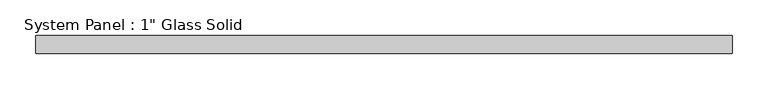
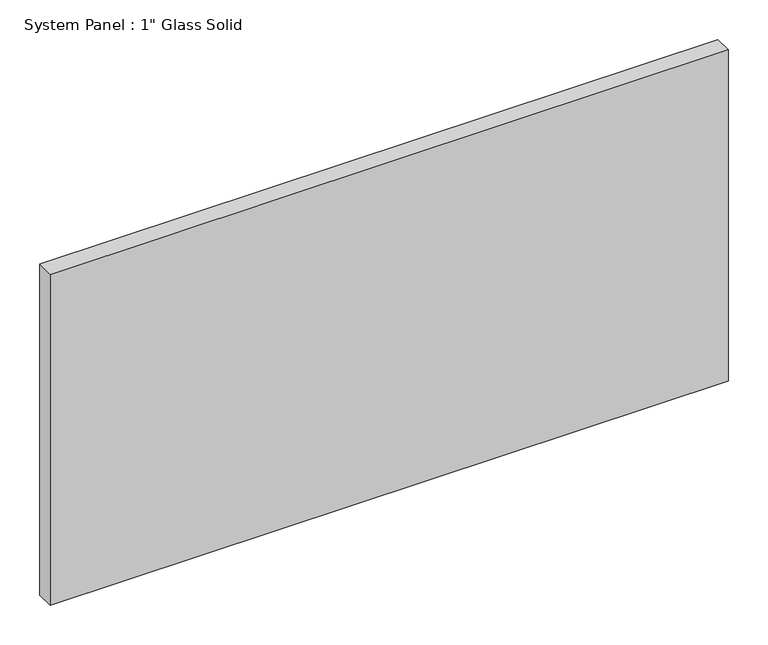
"""IFC4 building model written with IfcOpenShell, lengths in millimetres: plate geometry."""

from ifc_helpers import new_model, si_unit, origin, origin_with_axes, place, context, project, spatial, polyline, outline, extrude, source, transform, mapped, element, save


def plate_9f8805ce(model_context):
    return source(origin(), model_context, "Body", "SweptSolid", [
        extrude(outline(polyline([(490.5375, -12.7), (-490.5375, -12.7), (-490.5375, 12.7), (490.5375, 12.7), (490.5375, -12.7)])), origin_with_axes(), (0.0, 0.0, 1.0), 506.4125),
    ])


if __name__ == "__main__":
    model = new_model("IFC4")
    model_context = context("Model", 3, world=origin())
    ifc_project = project(units=[si_unit("LENGTHUNIT", "METRE", prefix="MILLI")], contexts=[model_context])
    site = spatial("IfcSite", under=ifc_project)
    building = spatial("IfcBuilding", under=site)
    placement = place(None, origin())
    plate_shape = plate_9f8805ce(model_context)
    element("IfcPlate", 1, ObjectType="System Panel : 1\" Glass Solid", at=placement, inside=building, context=model_context, shape_type="MappedRepresentation", body=[
        mapped(plate_shape, transform((0.0, 0.0, 0.0), x_axis=(1.0, 0.0, 0.0), y_axis=(0.0, 1.0, 0.0), z_axis=(0.0, 0.0, 1.0))),
    ])
    save(model, "model.ifc")
